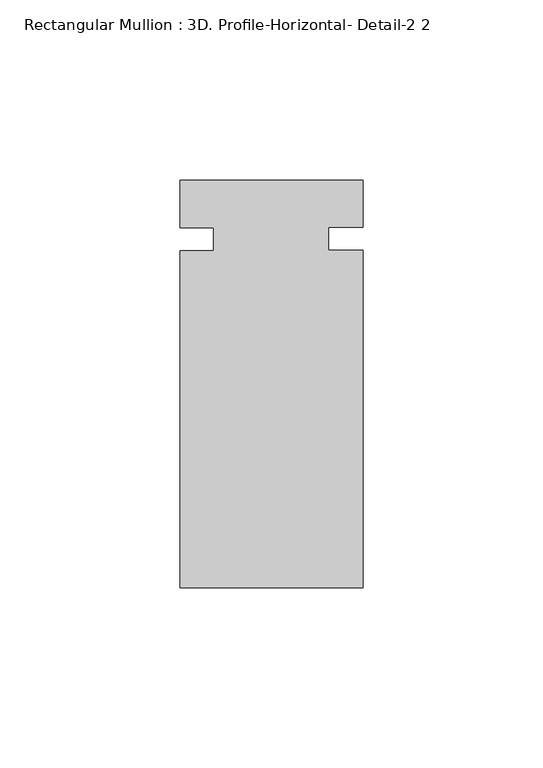
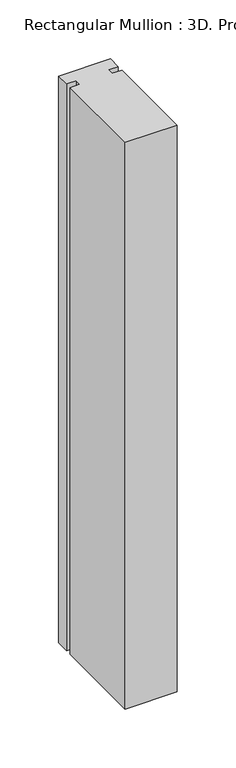
"""IFC4 building model written with IfcOpenShell, lengths in millimetres: member geometry, Rectangular Mullion : 3D. Profile-Horizontal- Detail-2 2."""

from ifc_helpers import new_model, si_unit, frame, origin, place, context, project, spatial, polyline, outline, extrude, source, transform, mapped, element, save


def rectangular_mullion_3d_profile_horizontal_detail_2_2_b410c9ff(model_context):
    return source(origin(), model_context, "Body", "SweptSolid", [
        extrude(outline(polyline([(25.4, -56.0506562), (-25.4, -56.0506562), (-25.4, 37.4435762), (-16.0655, 37.4435762), (-16.0655, 43.7935762), (-25.4, 43.7935762), (-25.4, 57.0301438), (25.4, 57.0301438), (25.4, 43.967209), (15.875, 43.967209), (15.875, 37.6296114), (25.4, 37.6296114), (25.4, -56.0506562)])), frame((0.0, 0.0, -587.4934446), z_axis=(0.0, 0.0, 1.0), x_axis=(1.0, 0.0, 0.0)), (0.0, 0.0, 1.0), 587.4934446),
    ])


if __name__ == "__main__":
    model = new_model("IFC4")
    model_context = context("Model", 3, world=origin())
    ifc_project = project(units=[si_unit("LENGTHUNIT", "METRE", prefix="MILLI")], contexts=[model_context])
    site = spatial("IfcSite", under=ifc_project)
    building = spatial("IfcBuilding", under=site)
    placement = place(None, origin())
    rectangular_mullion_3d_profile_horizontal_detail_2_2_shape = rectangular_mullion_3d_profile_horizontal_detail_2_2_b410c9ff(model_context)
    element("IfcMember", 1, ObjectType="Rectangular Mullion : 3D. Profile-Horizontal- Detail-2 2", at=placement, inside=building, context=model_context, shape_type="MappedRepresentation", body=[
        mapped(rectangular_mullion_3d_profile_horizontal_detail_2_2_shape, transform((0.0, 0.0, 0.0), x_axis=(1.0, 0.0, 0.0), y_axis=(0.0, 1.0, 0.0), z_axis=(0.0, 0.0, 1.0))),
    ])
    save(model, "model.ifc")
